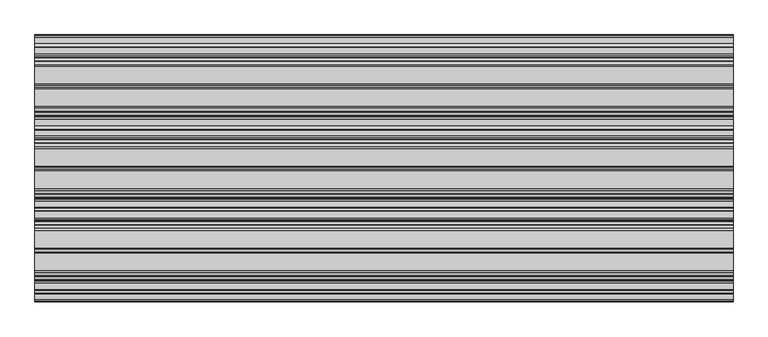
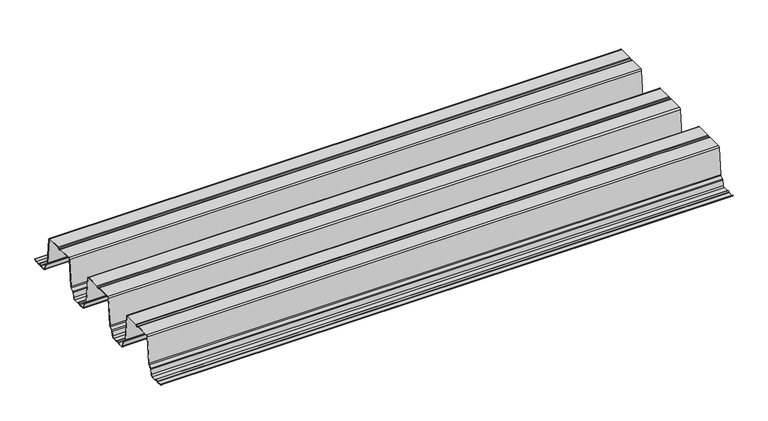
"""IFC4 building model written with IfcOpenShell, lengths in millimetres: proxy geometry."""

from ifc_helpers import new_model, si_unit, point, frame, frame_2d, origin, place, context, project, spatial, polyline, circle_curve, trimmed, segment, composite_curve, outline, extrude, source, transform, mapped, element, save


def generic_models_bbbf8b4e(model_context):
    return source(origin(), model_context, "Body", "SweptSolid", [
        extrude(outline(composite_curve([segment(trimmed(circle_curve(frame_2d((324.6441913, 113.8058949)), 3.6361245), [point((321.3795042, 112.204889))], [point((327.9088783, 112.204889))], True, "CARTESIAN"), True, "CONTINUOUS"), segment(trimmed(circle_curve(frame_2d((330.4708747, 110.9484833)), 2.8534857), [point((327.9088783, 112.204889))], [point((330.4708747, 113.801969))], False, "CARTESIAN"), True, "CONTINUOUS"), segment(polyline([(330.4708747, 113.801969), (373.4492703, 113.801969)]), True, "CONTINUOUS"), segment(trimmed(circle_curve(frame_2d((373.4492703, 109.0613218)), 4.7406472), [point((373.4492703, 113.801969))], [point((378.1008152, 109.9761257))], False, "CARTESIAN"), True, "CONTINUOUS"), segment(polyline([(378.1008152, 109.9761257), (386.0015759, 30.7769056)]), True, "CONTINUOUS"), segment(trimmed(circle_curve(frame_2d((391.2153598, 31.2970226)), 5.2396627), [point((386.0015759, 30.7769056))], [point((387.7190783, 27.394449))], True, "CARTESIAN"), True, "CONTINUOUS"), segment(polyline([(387.7190783, 27.394449), (394.9225297, 20.9409399)]), True, "CONTINUOUS"), segment(trimmed(circle_curve(frame_2d((391.7592274, 17.41004)), 4.7406472), [point((394.9225297, 20.9409399))], [point((396.4111087, 18.3231312))], False, "CARTESIAN"), True, "CONTINUOUS"), segment(polyline([(396.4111087, 18.3231312), (399.2223324, 5.0268078)]), True, "CONTINUOUS"), segment(trimmed(circle_curve(frame_2d((404.3631679, 6.0396627)), 5.2396627), [point((399.2223324, 5.0268078))], [point((404.3631679, 0.8))], True, "CARTESIAN"), True, "CONTINUOUS"), segment(polyline([(404.3631679, 0.8), (418.2385012, 0.8)]), True, "CONTINUOUS"), segment(trimmed(circle_curve(frame_2d((418.2385012, 3.6534857)), 2.8534857), [point((418.2385012, 0.8))], [point((420.8004976, 2.39708))], True, "CARTESIAN"), True, "CONTINUOUS"), segment(trimmed(circle_curve(frame_2d((424.0651846, 0.7960741)), 3.6361245), [point((420.8004976, 2.39708))], [point((427.4480898, 2.1292486))], False, "CARTESIAN"), True, "CONTINUOUS"), segment(trimmed(circle_curve(frame_2d((429.4296465, 2.9101634)), 2.1298815), [point((427.4480898, 2.1292486))], [point((429.1405005, 0.8))], True, "CARTESIAN"), True, "CONTINUOUS"), segment(polyline([(429.1405005, 0.8), (445.0579936, 0.8)]), True, "CONTINUOUS"), segment(trimmed(circle_curve(frame_2d((445.0579936, 6.0396627)), 5.2396627), [point((445.0579936, 0.8))], [point((450.1991748, 5.0285637))], True, "CARTESIAN"), True, "CONTINUOUS"), segment(polyline([(450.1991748, 5.0285637), (453.0103893, 19.3228748)]), True, "CONTINUOUS"), segment(trimmed(circle_curve(frame_2d((457.6619342, 18.408071)), 4.7406472), [point((453.0103893, 19.3228748))], [point((454.4986319, 21.9389709))], False, "CARTESIAN"), True, "CONTINUOUS"), segment(polyline([(454.4986319, 21.9389709), (461.7020833, 28.39248)]), True, "CONTINUOUS"), segment(trimmed(circle_curve(frame_2d((458.2058017, 32.2950536)), 5.2396627), [point((461.7020833, 28.39248))], [point((463.4195857, 31.7749366))], True, "CARTESIAN"), True, "CONTINUOUS"), segment(polyline([(463.4195857, 31.7749366), (471.3203464, 110.9741566)]), True, "CONTINUOUS"), segment(trimmed(circle_curve(frame_2d((475.9718912, 110.0593528)), 4.7406472), [point((471.3203464, 110.9741566))], [point((475.9718912, 114.8))], False, "CARTESIAN"), True, "CONTINUOUS"), segment(polyline([(475.9718912, 114.8), (519.1233624, 114.8)]), True, "CONTINUOUS"), segment(trimmed(circle_curve(frame_2d((519.4125084, 112.6898366)), 2.1298815), [point((519.1233624, 114.8))], [point((521.3940652, 113.4707514))], False, "CARTESIAN"), True, "CONTINUOUS"), segment(trimmed(circle_curve(frame_2d((524.7769703, 114.8039259)), 3.6361245), [point((521.3940652, 113.4707514))], [point((528.0416574, 113.20292))], True, "CARTESIAN"), True, "CONTINUOUS"), segment(trimmed(circle_curve(frame_2d((530.6036537, 111.9465143)), 2.8534857), [point((528.0416574, 113.20292))], [point((530.6036537, 114.8))], False, "CARTESIAN"), True, "CONTINUOUS"), segment(polyline([(530.6036537, 114.8), (573.289288, 114.8)]), True, "CONTINUOUS"), segment(trimmed(circle_curve(frame_2d((573.289288, 110.0593528)), 4.7406472), [point((573.289288, 114.8))], [point((577.9408329, 110.9741566))], False, "CARTESIAN"), True, "CONTINUOUS"), segment(polyline([(577.9408329, 110.9741566), (585.8415936, 31.7749366)]), True, "CONTINUOUS"), segment(trimmed(circle_curve(frame_2d((591.0553775, 32.2950536)), 5.2396627), [point((585.8415936, 31.7749366))], [point((587.559096, 28.39248))], True, "CARTESIAN"), True, "CONTINUOUS"), segment(polyline([(587.559096, 28.39248), (594.7625474, 21.9389709)]), True, "CONTINUOUS"), segment(trimmed(circle_curve(frame_2d((591.5992451, 18.408071)), 4.7406472), [point((594.7625474, 21.9389709))], [point((596.25079, 19.3228748))], False, "CARTESIAN"), True, "CONTINUOUS"), segment(polyline([(596.25079, 19.3228748), (599.0620045, 5.0285637)]), True, "CONTINUOUS"), segment(trimmed(circle_curve(frame_2d((604.2031856, 6.0396627)), 5.2396627), [point((599.0620045, 5.0285637))], [point((604.2031856, 0.8))], True, "CARTESIAN"), True, "CONTINUOUS"), segment(polyline([(604.2031856, 0.8), (620.1206788, 0.8)]), True, "CONTINUOUS"), segment(trimmed(circle_curve(frame_2d((619.8315328, 2.9101634)), 2.1298815), [point((620.1206788, 0.8))], [point((621.8130895, 2.1292486))], True, "CARTESIAN"), True, "CONTINUOUS"), segment(trimmed(circle_curve(frame_2d((625.1959947, 0.7960741)), 3.6361245), [point((621.8130895, 2.1292486))], [point((628.5788998, 2.1292486))], False, "CARTESIAN"), True, "CONTINUOUS"), segment(trimmed(circle_curve(frame_2d((630.5604565, 2.9101634)), 2.1298815), [point((628.5788998, 2.1292486))], [point((630.2713105, 0.8))], True, "CARTESIAN"), True, "CONTINUOUS"), segment(polyline([(630.2713105, 0.8), (644.1927417, 0.8)]), True, "CONTINUOUS"), segment(trimmed(circle_curve(frame_2d((644.1927417, 6.0396627)), 5.2396627), [point((644.1927417, 0.8))], [point((649.2883825, 4.8196179))], True, "CARTESIAN"), True, "CONTINUOUS"), segment(polyline([(649.2883825, 4.8196179), (650.0663931, 4.6333395)]), True, "CONTINUOUS"), segment(trimmed(circle_curve(frame_2d((644.1927417, 6.0396627)), 6.0396627), [point((650.0663931, 4.6333395))], [point((644.1927417, 0.0))], False, "CARTESIAN"), True, "CONTINUOUS"), segment(polyline([(644.1927417, 0.0), (630.2211126, 0.0)]), True, "CONTINUOUS"), segment(trimmed(circle_curve(frame_2d((630.5604565, 2.9101634)), 2.9298815), [point((630.2211126, 0.0))], [point((627.8346117, 1.8359309))], False, "CARTESIAN"), True, "CONTINUOUS"), segment(trimmed(circle_curve(frame_2d((625.1959947, 0.7960741)), 2.8361245), [point((627.8346117, 1.8359309))], [point((622.5573776, 1.8359309))], True, "CARTESIAN"), True, "CONTINUOUS"), segment(trimmed(circle_curve(frame_2d((619.8315328, 2.9101634)), 2.9298815), [point((622.5573776, 1.8359309))], [point((620.1708767, 0.0))], False, "CARTESIAN"), True, "CONTINUOUS"), segment(polyline([(620.1708767, 0.0), (604.2031856, 0.0)]), True, "CONTINUOUS"), segment(trimmed(circle_curve(frame_2d((604.2031856, 6.0396627)), 6.0396627), [point((604.2031856, 0.0))], [point((598.2770408, 4.8741875))], False, "CARTESIAN"), True, "CONTINUOUS"), segment(polyline([(598.2770408, 4.8741875), (595.4658263, 19.1684986)]), True, "CONTINUOUS"), segment(trimmed(circle_curve(frame_2d((591.5992451, 18.408071)), 3.9406472), [point((595.4658263, 19.1684986))], [point((594.2287296, 21.3431197))], True, "CARTESIAN"), True, "CONTINUOUS"), segment(polyline([(594.2287296, 21.3431197), (587.0252782, 27.7966289)]), True, "CONTINUOUS"), segment(trimmed(circle_curve(frame_2d((591.0553775, 32.2950536)), 6.0396627), [point((587.0252782, 27.7966289))], [point((585.0455448, 31.6955243))], False, "CARTESIAN"), True, "CONTINUOUS"), segment(polyline([(585.0455448, 31.6955243), (577.1487237, 110.8552525)]), True, "CONTINUOUS"), segment(trimmed(circle_curve(frame_2d((573.289288, 110.0593528)), 3.9406472), [point((577.1487237, 110.8552525))], [point((573.289288, 114.0))], True, "CARTESIAN"), True, "CONTINUOUS"), segment(polyline([(573.289288, 114.0), (530.6036537, 114.0)]), True, "CONTINUOUS"), segment(trimmed(circle_curve(frame_2d((530.6036537, 111.9465143)), 2.0534857), [point((530.6036537, 114.0))], [point((528.7599357, 112.8506755))], True, "CARTESIAN"), True, "CONTINUOUS"), segment(trimmed(circle_curve(frame_2d((524.7769703, 114.8039259)), 4.4361245), [point((528.7599357, 112.8506755))], [point((520.6497771, 113.1774338))], False, "CARTESIAN"), True, "CONTINUOUS"), segment(trimmed(circle_curve(frame_2d((519.4125084, 112.6898366)), 1.3298815), [point((520.6497771, 113.1774338))], [point((519.1843494, 114.0))], True, "CARTESIAN"), True, "CONTINUOUS"), segment(polyline([(519.1843494, 114.0), (475.9718912, 114.0)]), True, "CONTINUOUS"), segment(trimmed(circle_curve(frame_2d((475.9718912, 110.0593528)), 3.9406472), [point((475.9718912, 114.0))], [point((472.1124555, 110.8552525))], True, "CARTESIAN"), True, "CONTINUOUS"), segment(polyline([(472.1124555, 110.8552525), (464.2156345, 31.6955243)]), True, "CONTINUOUS"), segment(trimmed(circle_curve(frame_2d((458.2058017, 32.2950536)), 6.0396627), [point((464.2156345, 31.6955243))], [point((462.2359011, 27.7966289))], False, "CARTESIAN"), True, "CONTINUOUS"), segment(polyline([(462.2359011, 27.7966289), (455.0324497, 21.3431197)]), True, "CONTINUOUS"), segment(trimmed(circle_curve(frame_2d((457.6619342, 18.408071)), 3.9406472), [point((455.0324497, 21.3431197))], [point((453.795353, 19.1684986))], True, "CARTESIAN"), True, "CONTINUOUS"), segment(polyline([(453.795353, 19.1684986), (450.9841385, 4.8741875)]), True, "CONTINUOUS"), segment(trimmed(circle_curve(frame_2d((445.0579936, 6.0396627)), 6.0396627), [point((450.9841385, 4.8741875))], [point((445.0579936, 0.0))], False, "CARTESIAN"), True, "CONTINUOUS"), segment(polyline([(445.0579936, 0.0), (429.0903025, 0.0)]), True, "CONTINUOUS"), segment(trimmed(circle_curve(frame_2d((429.4296465, 2.9101634)), 2.9298815), [point((429.0903025, 0.0))], [point((426.7038017, 1.8359309))], False, "CARTESIAN"), True, "CONTINUOUS"), segment(trimmed(circle_curve(frame_2d((424.0651846, 0.7960741)), 2.8361245), [point((426.7038017, 1.8359309))], [point((421.518776, 2.0448356))], True, "CARTESIAN"), True, "CONTINUOUS"), segment(trimmed(circle_curve(frame_2d((418.2385012, 3.6534857)), 3.6534857), [point((421.518776, 2.0448356))], [point((418.2385012, 0.0))], False, "CARTESIAN"), True, "CONTINUOUS"), segment(polyline([(418.2385012, 0.0), (404.3631679, 0.0)]), True, "CONTINUOUS"), segment(trimmed(circle_curve(frame_2d((404.3631679, 6.0396627)), 6.0396627), [point((404.3631679, 0.0))], [point((398.4385315, 4.8665436))], False, "CARTESIAN"), True, "CONTINUOUS"), segment(polyline([(398.4385315, 4.8665436), (395.6271529, 18.1635996)]), True, "CONTINUOUS"), segment(trimmed(circle_curve(frame_2d((391.7592274, 17.41004)), 3.9406472), [point((395.6271529, 18.1635996))], [point((394.3887119, 20.3450888))], True, "CARTESIAN"), True, "CONTINUOUS"), segment(polyline([(394.3887119, 20.3450888), (387.1852605, 26.7985979)]), True, "CONTINUOUS"), segment(trimmed(circle_curve(frame_2d((391.2153598, 31.2970226)), 6.0396627), [point((387.1852605, 26.7985979))], [point((385.2055271, 30.6974933))], False, "CARTESIAN"), True, "CONTINUOUS"), segment(polyline([(385.2055271, 30.6974933), (377.308706, 109.8572215)]), True, "CONTINUOUS"), segment(trimmed(circle_curve(frame_2d((373.4492703, 109.0613218)), 3.9406472), [point((377.308706, 109.8572215))], [point((373.4492703, 113.001969))], True, "CARTESIAN"), True, "CONTINUOUS"), segment(polyline([(373.4492703, 113.001969), (330.4708747, 113.001969)]), True, "CONTINUOUS"), segment(trimmed(circle_curve(frame_2d((330.4708747, 110.9484833)), 2.0534857), [point((330.4708747, 113.001969))], [point((328.6271567, 111.8526445))], True, "CARTESIAN"), True, "CONTINUOUS"), segment(trimmed(circle_curve(frame_2d((324.6441913, 113.8058949)), 4.4361245), [point((328.6271567, 111.8526445))], [point((320.6612258, 111.8526445))], False, "CARTESIAN"), True, "CONTINUOUS"), segment(trimmed(circle_curve(frame_2d((318.8175079, 110.9484833)), 2.0534857), [point((320.6612258, 111.8526445))], [point((318.8175079, 113.001969))], True, "CARTESIAN"), True, "CONTINUOUS"), segment(polyline([(318.8175079, 113.001969), (275.8391122, 113.001969)]), True, "CONTINUOUS"), segment(trimmed(circle_curve(frame_2d((275.8391122, 109.0613218)), 3.9406472), [point((275.8391122, 113.001969))], [point((271.9796765, 109.8572215))], True, "CARTESIAN"), True, "CONTINUOUS"), segment(polyline([(271.9796765, 109.8572215), (264.0828555, 30.6974933)]), True, "CONTINUOUS"), segment(trimmed(circle_curve(frame_2d((258.0730227, 31.2970226)), 6.0396627), [point((264.0828555, 30.6974933))], [point((262.103122, 26.7985979))], False, "CARTESIAN"), True, "CONTINUOUS"), segment(polyline([(262.103122, 26.7985979), (254.8996706, 20.3450888)]), True, "CONTINUOUS"), segment(trimmed(circle_curve(frame_2d((257.5291552, 17.41004)), 3.9406472), [point((254.8996706, 20.3450888))], [point((253.6612296, 18.1635996))], True, "CARTESIAN"), True, "CONTINUOUS"), segment(polyline([(253.6612296, 18.1635996), (250.849851, 4.8665436)]), True, "CONTINUOUS"), segment(trimmed(circle_curve(frame_2d((244.9252146, 6.0396627)), 6.0396627), [point((250.849851, 4.8665436))], [point((244.9252146, 0.0))], False, "CARTESIAN"), True, "CONTINUOUS"), segment(polyline([(244.9252146, 0.0), (231.0498813, 0.0)]), True, "CONTINUOUS"), segment(trimmed(circle_curve(frame_2d((231.0498813, 3.6534857)), 3.6534857), [point((231.0498813, 0.0))], [point((227.7696066, 2.0448356))], False, "CARTESIAN"), True, "CONTINUOUS"), segment(trimmed(circle_curve(frame_2d((225.2231979, 0.7960741)), 2.8361245), [point((227.7696066, 2.0448356))], [point((222.5845808, 1.8359309))], True, "CARTESIAN"), True, "CONTINUOUS"), segment(trimmed(circle_curve(frame_2d((219.858736, 2.9101634)), 2.9298815), [point((222.5845808, 1.8359309))], [point((220.19808, 0.0))], False, "CARTESIAN"), True, "CONTINUOUS"), segment(polyline([(220.19808, 0.0), (204.2303889, 0.0)]), True, "CONTINUOUS"), segment(trimmed(circle_curve(frame_2d((204.2303889, 6.0396627)), 6.0396627), [point((204.2303889, 0.0))], [point((198.304244, 4.8741875))], False, "CARTESIAN"), True, "CONTINUOUS"), segment(polyline([(198.304244, 4.8741875), (195.4930295, 19.1684986)]), True, "CONTINUOUS"), segment(trimmed(circle_curve(frame_2d((191.6264483, 18.408071)), 3.9406472), [point((195.4930295, 19.1684986))], [point((194.2559329, 21.3431197))], True, "CARTESIAN"), True, "CONTINUOUS"), segment(polyline([(194.2559329, 21.3431197), (187.0524815, 27.7966289)]), True, "CONTINUOUS"), segment(trimmed(circle_curve(frame_2d((191.0825808, 32.2950536)), 6.0396627), [point((187.0524815, 27.7966289))], [point((185.072748, 31.6955243))], False, "CARTESIAN"), True, "CONTINUOUS"), segment(polyline([(185.072748, 31.6955243), (177.175927, 110.8552525)]), True, "CONTINUOUS"), segment(trimmed(circle_curve(frame_2d((173.3164913, 110.0593528)), 3.9406472), [point((177.175927, 110.8552525))], [point((173.3164913, 114.0))], True, "CARTESIAN"), True, "CONTINUOUS"), segment(polyline([(173.3164913, 114.0), (130.1040332, 114.0)]), True, "CONTINUOUS"), segment(trimmed(circle_curve(frame_2d((129.8758741, 112.6898366)), 1.3298815), [point((130.1040332, 114.0))], [point((128.6386055, 113.1774338))], True, "CARTESIAN"), True, "CONTINUOUS"), segment(trimmed(circle_curve(frame_2d((124.5114122, 114.8039259)), 4.4361245), [point((128.6386055, 113.1774338))], [point((120.5284468, 112.8506755))], False, "CARTESIAN"), True, "CONTINUOUS"), segment(trimmed(circle_curve(frame_2d((118.6847288, 111.9465143)), 2.0534857), [point((120.5284468, 112.8506755))], [point((118.6847288, 114.0))], True, "CARTESIAN"), True, "CONTINUOUS"), segment(polyline([(118.6847288, 114.0), (75.9990945, 114.0)]), True, "CONTINUOUS"), segment(trimmed(circle_curve(frame_2d((75.9990945, 110.0593528)), 3.9406472), [point((75.9990945, 114.0))], [point((72.1396588, 110.8552525))], True, "CARTESIAN"), True, "CONTINUOUS"), segment(polyline([(72.1396588, 110.8552525), (64.2428378, 31.6955243)]), True, "CONTINUOUS"), segment(trimmed(circle_curve(frame_2d((58.233005, 32.2950536)), 6.0396627), [point((64.2428378, 31.6955243))], [point((62.2631043, 27.7966289))], False, "CARTESIAN"), True, "CONTINUOUS"), segment(polyline([(62.2631043, 27.7966289), (55.0596529, 21.3431197)]), True, "CONTINUOUS"), segment(trimmed(circle_curve(frame_2d((57.6891375, 18.408071)), 3.9406472), [point((55.0596529, 21.3431197))], [point((53.8225563, 19.1684986))], True, "CARTESIAN"), True, "CONTINUOUS"), segment(polyline([(53.8225563, 19.1684986), (51.0113418, 4.8741875)]), True, "CONTINUOUS"), segment(trimmed(circle_curve(frame_2d((45.0851969, 6.0396627)), 6.0396627), [point((51.0113418, 4.8741875))], [point((45.0851969, 0.0))], False, "CARTESIAN"), True, "CONTINUOUS"), segment(polyline([(45.0851969, 0.0), (29.1175058, 0.0)]), True, "CONTINUOUS"), segment(trimmed(circle_curve(frame_2d((29.4568498, 2.9101634)), 2.9298815), [point((29.1175058, 0.0))], [point((26.731005, 1.8359309))], False, "CARTESIAN"), True, "CONTINUOUS"), segment(trimmed(circle_curve(frame_2d((24.0923879, 0.7960741)), 2.8361245), [point((26.731005, 1.8359309))], [point((21.4537708, 1.8359309))], True, "CARTESIAN"), True, "CONTINUOUS"), segment(trimmed(circle_curve(frame_2d((18.727926, 2.9101634)), 2.9298815), [point((21.4537708, 1.8359309))], [point((19.06727, 0.0))], False, "CARTESIAN"), True, "CONTINUOUS"), segment(polyline([(19.06727, 0.0), (5.0956409, 0.0)]), True, "CONTINUOUS"), segment(trimmed(circle_curve(frame_2d((5.0956409, 6.0396627)), 6.0396627), [point((5.0956409, 0.0))], [point((-0.7780105, 4.6333395))], False, "CARTESIAN"), True, "CONTINUOUS"), segment(polyline([(-0.7780105, 4.6333395), (0.0, 4.8196179)]), True, "CONTINUOUS"), segment(trimmed(circle_curve(frame_2d((5.0956409, 6.0396627)), 5.2396627), [point((0.0, 4.8196179))], [point((5.0956409, 0.8))], True, "CARTESIAN"), True, "CONTINUOUS"), segment(polyline([(5.0956409, 0.8), (19.0170721, 0.8)]), True, "CONTINUOUS"), segment(trimmed(circle_curve(frame_2d((18.727926, 2.9101634)), 2.1298815), [point((19.0170721, 0.8))], [point((20.7094827, 2.1292486))], True, "CARTESIAN"), True, "CONTINUOUS"), segment(trimmed(circle_curve(frame_2d((24.0923879, 0.7960741)), 3.6361245), [point((20.7094827, 2.1292486))], [point((27.475293, 2.1292486))], False, "CARTESIAN"), True, "CONTINUOUS"), segment(trimmed(circle_curve(frame_2d((29.4568498, 2.9101634)), 2.1298815), [point((27.475293, 2.1292486))], [point((29.1677037, 0.8))], True, "CARTESIAN"), True, "CONTINUOUS"), segment(polyline([(29.1677037, 0.8), (45.0851969, 0.8)]), True, "CONTINUOUS"), segment(trimmed(circle_curve(frame_2d((45.0851969, 6.0396627)), 5.2396627), [point((45.0851969, 0.8))], [point((50.2263781, 5.0285637))], True, "CARTESIAN"), True, "CONTINUOUS"), segment(polyline([(50.2263781, 5.0285637), (53.0375926, 19.3228748)]), True, "CONTINUOUS"), segment(trimmed(circle_curve(frame_2d((57.6891375, 18.408071)), 4.7406472), [point((53.0375926, 19.3228748))], [point((54.5258351, 21.9389709))], False, "CARTESIAN"), True, "CONTINUOUS"), segment(polyline([(54.5258351, 21.9389709), (61.7292865, 28.39248)]), True, "CONTINUOUS"), segment(trimmed(circle_curve(frame_2d((58.233005, 32.2950536)), 5.2396627), [point((61.7292865, 28.39248))], [point((63.446789, 31.7749366))], True, "CARTESIAN"), True, "CONTINUOUS"), segment(polyline([(63.446789, 31.7749366), (71.3475496, 110.9741566)]), True, "CONTINUOUS"), segment(trimmed(circle_curve(frame_2d((75.9990945, 110.0593528)), 4.7406472), [point((71.3475496, 110.9741566))], [point((75.9990945, 114.8))], False, "CARTESIAN"), True, "CONTINUOUS"), segment(polyline([(75.9990945, 114.8), (118.6847288, 114.8)]), True, "CONTINUOUS"), segment(trimmed(circle_curve(frame_2d((118.6847288, 111.9465143)), 2.8534857), [point((118.6847288, 114.8))], [point((121.2467252, 113.20292))], False, "CARTESIAN"), True, "CONTINUOUS"), segment(trimmed(circle_curve(frame_2d((124.5114122, 114.8039259)), 3.6361245), [point((121.2467252, 113.20292))], [point((127.8943174, 113.4707514))], True, "CARTESIAN"), True, "CONTINUOUS"), segment(trimmed(circle_curve(frame_2d((129.8758741, 112.6898366)), 2.1298815), [point((127.8943174, 113.4707514))], [point((130.1650202, 114.8))], False, "CARTESIAN"), True, "CONTINUOUS"), segment(polyline([(130.1650202, 114.8), (173.3164913, 114.8)]), True, "CONTINUOUS"), segment(trimmed(circle_curve(frame_2d((173.3164913, 110.0593528)), 4.7406472), [point((173.3164913, 114.8))], [point((177.9680362, 110.9741566))], False, "CARTESIAN"), True, "CONTINUOUS"), segment(polyline([(177.9680362, 110.9741566), (185.8687968, 31.7749366)]), True, "CONTINUOUS"), segment(trimmed(circle_curve(frame_2d((191.0825808, 32.2950536)), 5.2396627), [point((185.8687968, 31.7749366))], [point((187.5862993, 28.39248))], True, "CARTESIAN"), True, "CONTINUOUS"), segment(polyline([(187.5862993, 28.39248), (194.7897507, 21.9389709)]), True, "CONTINUOUS"), segment(trimmed(circle_curve(frame_2d((191.6264483, 18.408071)), 4.7406472), [point((194.7897507, 21.9389709))], [point((196.2779932, 19.3228748))], False, "CARTESIAN"), True, "CONTINUOUS"), segment(polyline([(196.2779932, 19.3228748), (199.0892077, 5.0285637)]), True, "CONTINUOUS"), segment(trimmed(circle_curve(frame_2d((204.2303889, 6.0396627)), 5.2396627), [point((199.0892077, 5.0285637))], [point((204.2303889, 0.8))], True, "CARTESIAN"), True, "CONTINUOUS"), segment(polyline([(204.2303889, 0.8), (220.1478821, 0.8)]), True, "CONTINUOUS"), segment(trimmed(circle_curve(frame_2d((219.858736, 2.9101634)), 2.1298815), [point((220.1478821, 0.8))], [point((221.8402928, 2.1292486))], True, "CARTESIAN"), True, "CONTINUOUS"), segment(trimmed(circle_curve(frame_2d((225.2231979, 0.7960741)), 3.6361245), [point((221.8402928, 2.1292486))], [point((228.487885, 2.39708))], False, "CARTESIAN"), True, "CONTINUOUS"), segment(trimmed(circle_curve(frame_2d((231.0498813, 3.6534857)), 2.8534857), [point((228.487885, 2.39708))], [point((231.0498813, 0.8))], True, "CARTESIAN"), True, "CONTINUOUS"), segment(polyline([(231.0498813, 0.8), (244.9252146, 0.8)]), True, "CONTINUOUS"), segment(trimmed(circle_curve(frame_2d((244.9252146, 6.0396627)), 5.2396627), [point((244.9252146, 0.8))], [point((250.0660501, 5.0268078))], True, "CARTESIAN"), True, "CONTINUOUS"), segment(polyline([(250.0660501, 5.0268078), (252.8772738, 18.3231312)]), True, "CONTINUOUS"), segment(trimmed(circle_curve(frame_2d((257.5291552, 17.41004)), 4.7406472), [point((252.8772738, 18.3231312))], [point((254.3658528, 20.9409399))], False, "CARTESIAN"), True, "CONTINUOUS"), segment(polyline([(254.3658528, 20.9409399), (261.5693042, 27.394449)]), True, "CONTINUOUS"), segment(trimmed(circle_curve(frame_2d((258.0730227, 31.2970226)), 5.2396627), [point((261.5693042, 27.394449))], [point((263.2868067, 30.7769056))], True, "CARTESIAN"), True, "CONTINUOUS"), segment(polyline([(263.2868067, 30.7769056), (271.1875673, 109.9761257)]), True, "CONTINUOUS"), segment(trimmed(circle_curve(frame_2d((275.8391122, 109.0613218)), 4.7406472), [point((271.1875673, 109.9761257))], [point((275.8391122, 113.801969))], False, "CARTESIAN"), True, "CONTINUOUS"), segment(polyline([(275.8391122, 113.801969), (318.8175079, 113.801969)]), True, "CONTINUOUS"), segment(trimmed(circle_curve(frame_2d((318.8175079, 110.9484833)), 2.8534857), [point((318.8175079, 113.801969))], [point((321.3795042, 112.204889))], False, "CARTESIAN"), True, "CONTINUOUS")], self_intersect=False)), frame((0.0, 0.0, 0.0), z_axis=(1.0, 0.0, 0.0), x_axis=(0.0, 1.0, 0.0)), (0.0, 0.0, 1.0), 1700.0),
    ])


if __name__ == "__main__":
    model = new_model("IFC4")
    model_context = context("Model", 3, world=origin())
    ifc_project = project(units=[si_unit("LENGTHUNIT", "METRE", prefix="MILLI")], contexts=[model_context])
    site = spatial("IfcSite", under=ifc_project)
    building = spatial("IfcBuilding", under=site)
    placement = place(None, origin())
    generic_models_shape = generic_models_bbbf8b4e(model_context)
    element("IfcBuildingElementProxy", 1, Name="Generic Models", at=placement, inside=building, context=model_context, shape_type="MappedRepresentation", body=[
        mapped(generic_models_shape, transform((0.0, 0.0, 0.0), x_axis=(1.0, 0.0, 0.0), y_axis=(0.0, 1.0, 0.0), z_axis=(0.0, 0.0, 1.0))),
    ])
    save(model, "model.ifc")
